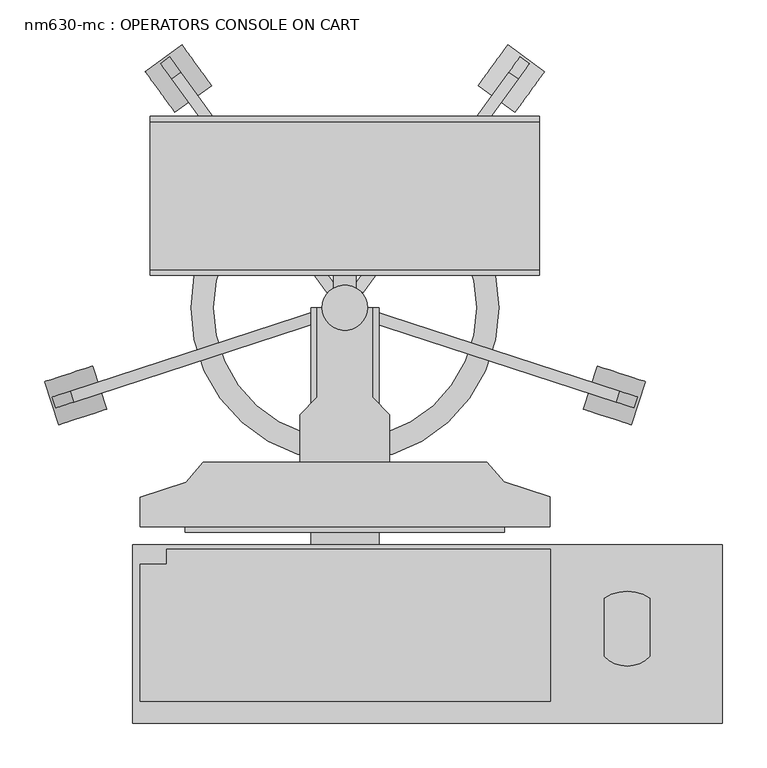
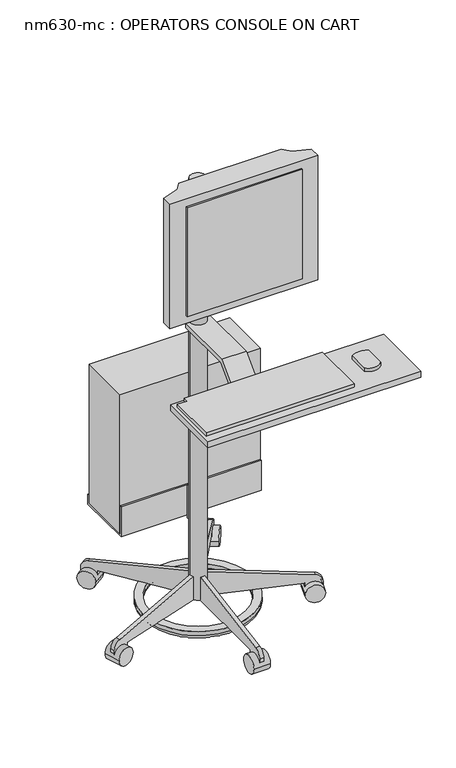
"""IFC4 building model written with IfcOpenShell, lengths in millimetres: proxy geometry, nm630-mc : OPERATORS CONSOLE ON CART."""

from ifc_helpers import new_model, si_unit, point, frame, frame_2d, origin, origin_2d, place, context, project, spatial, polyline, circle_curve, ellipse_curve, trimmed, segment, composite_curve, outline, extrude, source, transform, mapped, element, save
from ifc_brep_helpers import plane_surface, cylinder_surface, revolved_surface, advanced_brep


def nm630_mc_operators_console_on_cart_427ca283(model_context):
    return source(origin(), model_context, "Body", "SolidModel", [
        advanced_brep(
        [(147.2538722, 0.0, 40.3326391), (-147.2538722, 0.0, 40.3326391), (-147.2538722, 0.0, 53.5835944), (147.2538722, 0.0, 53.5835944), (172.6538722, 0.0, 40.3326391), (-172.6538722, 0.0, 40.3326391), (172.6538722, 0.0, 53.5835944), (-172.6538722, 0.0, 53.5835944)],
        [
            (0, 1, circle_curve(frame((0.0, 0.0, 40.3326391), z_axis=(0.0, 0.0, -1.0), x_axis=(-1.0, 0.0, 0.0)), 147.2538722)),
            (1, 2),
            (2, 3, circle_curve(frame((0.0, 0.0, 53.5835944), z_axis=(0.0, 0.0, 1.0), x_axis=(-1.0, 0.0, 0.0)), 147.2538722)),
            (3, 0),
            (4, 5, circle_curve(frame((0.0, 0.0, 40.3326391), z_axis=(0.0, 0.0, -1.0), x_axis=(-1.0, 0.0, 0.0)), 172.6538722)),
            (5, 1, circle_curve(frame((-159.9538722, 0.0, 40.3326391), z_axis=(0.0, -1.0, 0.0), x_axis=(1.0, 0.0, 0.0)), 12.7)),
            (0, 4, circle_curve(frame((159.9538722, 0.0, 40.3326391), z_axis=(0.0, -1.0, 0.0), x_axis=(-1.0, 0.0, 0.0)), 12.7)),
            (6, 7, circle_curve(frame((0.0, 0.0, 53.5835944), z_axis=(0.0, 0.0, -1.0), x_axis=(-1.0, 0.0, 0.0)), 172.6538722)),
            (7, 5),
            (4, 6),
            (1, 0, circle_curve(frame((0.0, 0.0, 40.3326391), z_axis=(0.0, 0.0, -1.0), x_axis=(1.0, 0.0, 0.0)), 147.2538722)),
            (3, 2, circle_curve(frame((0.0, 0.0, 53.5835944), z_axis=(0.0, 0.0, 1.0), x_axis=(1.0, 0.0, 0.0)), 147.2538722)),
            (5, 4, circle_curve(frame((0.0, 0.0, 40.3326391), z_axis=(0.0, 0.0, -1.0), x_axis=(1.0, 0.0, 0.0)), 172.6538722)),
            (7, 6, circle_curve(frame((0.0, 0.0, 53.5835944), z_axis=(0.0, 0.0, -1.0), x_axis=(1.0, 0.0, 0.0)), 172.6538722)),
        ],
        [
            revolved_surface(polyline([(-147.2538722, 0.0, 53.5835944), (-147.2538722, 0.0, 40.3326391)]), (0.0, 0.0, 53.5835944), (0.0, 0.0, 1.0)),
            revolved_surface(trimmed(ellipse_curve(frame((-159.9538722, 0.0, 40.3326391), z_axis=(0.0, 1.0, 0.0), x_axis=(1.0, 0.0, 0.0)), 12.7, 12.7), [point((-147.2538722, 0.0, 40.3326391))], [point((-172.6538722, 0.0, 40.3326391))], True, "CARTESIAN"), (0.0, 0.0, 53.5835944), (0.0, 0.0, 1.0)),
            cylinder_surface(frame((0.0, 0.0, 53.5835944), z_axis=(0.0, 0.0, 1.0), x_axis=(-1.0, 0.0, 0.0)), 172.6538722),
            revolved_surface(polyline([(147.2538722, 0.0, 53.5835944), (147.2538722, 0.0, 40.3326391)]), (0.0, 0.0, 53.5835944), (0.0, 0.0, 1.0)),
            revolved_surface(trimmed(ellipse_curve(frame((159.9538722, 0.0, 40.3326391), z_axis=(0.0, -1.0, 0.0), x_axis=(-1.0, 0.0, 0.0)), 12.7, 12.7), [point((147.2538722, 0.0, 40.3326391))], [point((172.6538722, 0.0, 40.3326391))], True, "CARTESIAN"), (0.0, 0.0, 53.5835944), (0.0, 0.0, 1.0)),
            cylinder_surface(frame((0.0, 0.0, 53.5835944), z_axis=(0.0, 0.0, 1.0), x_axis=(1.0, 0.0, 0.0)), 172.6538722),
            plane_surface(frame((0.0, 0.0, 53.5835944), z_axis=(0.0, 0.0, 1.0), x_axis=(1.0, 0.0, 0.0))),
        ],
        [
            (0, [[1, 2, 3, 4]]),
            (1, [[5, 6, -1, 7]]),
            (2, [[8, 9, -5, 10]]),
            (3, [[11, -4, 12, -2]]),
            (4, [[13, -7, -11, -6]]),
            (5, [[14, -10, -13, -9]]),
            (6, [[-14, -8], [-12, -3]]),
        ],
    ),
        extrude(outline(polyline([(-381.0, 890.5455923), (-381.0, 903.2455923), (-246.5605122, 903.2455923), (-192.6789755, 957.1271291), (0.0, 957.1271291), (0.0, 944.4271291), (-187.4184633, 944.4271291), (-241.3, 890.5455923), (-381.0, 890.5455923)])), frame((-38.1, 0.0, 0.0), z_axis=(1.0, 0.0, 0.0), x_axis=(0.0, 1.0, 0.0)), (0.0, 0.0, 1.0), 76.2),
        extrude(outline(polyline([(422.922446, -265.7124581), (422.922446, -465.4612169), (-237.7455191, -465.4612169), (-237.7455191, -265.7124581), (422.922446, -265.7124581)])), frame((0.0, 0.0, 903.2455923), z_axis=(0.0, 0.0, 1.0), x_axis=(1.0, 0.0, 0.0)), (0.0, 0.0, 1.0), 19.05),
        extrude(outline(polyline([(50.0454803, -120.1871894), (50.0454803, -172.9973457), (0.1078667, -172.9973457), (-50.0454803, -172.9973457), (-50.0454803, -120.1871894), (-31.0442446, -100.2177114), (-31.0442446, 0.0), (0.0, 0.0), (31.0442446, 0.0), (31.0442446, -100.2177114), (50.0454803, -120.1871894)])), frame((0.0, 0.0, 1245.8764509), z_axis=(0.0, 0.0, 1.0), x_axis=(1.0, 0.0, 0.0)), (0.0, 0.0, 1.0), 101.6),
        extrude(outline(polyline([(-229.7165796, -245.6400933), (-229.7165796, -212.2805749), (-177.9822034, -195.4354217), (-159.1782732, -172.9973457), (159.3940067, -172.9973457), (178.2259562, -195.2130907), (230.0023281, -212.0005976), (230.0023281, -245.6400933), (-229.7165796, -245.6400933)])), frame((0.0, 0.0, 1156.6939624), z_axis=(0.0, 0.0, 1.0), x_axis=(1.0, 0.0, 0.0)), (0.0, 0.0, 1.0), 409.5636736),
        extrude(outline(polyline([(-179.07, -245.6400933), (179.07, -245.6400933), (179.07, -251.5538724), (-179.07, -251.5538724), (-179.07, -245.6400933)])), frame((0.0, 0.0, 1182.0939624), z_axis=(0.0, 0.0, 1.0), x_axis=(1.0, 0.0, 0.0)), (0.0, 0.0, 1.0), 358.7636736),
        extrude(outline(composite_curve([segment(trimmed(circle_curve(frame_2d((316.4148897, -365.8294114)), 35.5491443), [point((341.8148897, -390.7007133))], [point((291.0148897, -390.7007133))], False, "CARTESIAN"), True, "CONTINUOUS"), segment(polyline([(291.0148897, -390.7007133), (291.0148897, -325.4053666)]), True, "CONTINUOUS"), segment(trimmed(circle_curve(frame_2d((316.4148897, -363.5827797)), 45.8549329), [point((291.0148897, -325.4053666))], [point((341.8148897, -325.4053666))], False, "CARTESIAN"), True, "CONTINUOUS"), segment(polyline([(341.8148897, -325.4053666), (341.8148897, -390.7007133)]), True, "CONTINUOUS")], self_intersect=False)), frame((0.0, 0.0, 922.2955923), z_axis=(0.0, 0.0, 1.0), x_axis=(1.0, 0.0, 0.0)), (0.0, 0.0, 1.0), 12.2153731),
        extrude(outline(polyline([(230.1392039, -270.6966837), (230.1392039, -440.883121), (-229.6851103, -440.883121), (-229.6851103, -287.2215871), (-199.7129601, -287.2215871), (-199.7129601, -270.6966837), (230.1392039, -270.6966837)])), frame((0.0, 0.0, 922.2955923), z_axis=(0.0, 0.0, 1.0), x_axis=(1.0, 0.0, 0.0)), (0.0, 0.0, 1.0), 12.2153731),
        extrude(outline(polyline([(218.16568, 207.9675182), (218.16568, 42.8420782), (-218.16568, 42.8420782), (-218.16568, 207.9675182), (218.16568, 207.9675182)])), frame((0.0, 0.0, 304.8), z_axis=(0.0, 0.0, 1.0), x_axis=(1.0, 0.0, 0.0)), (0.0, 0.0, 1.0), 457.2),
        extrude(outline(polyline([(207.9675182, 330.2), (214.3175182, 330.2), (214.3175182, 298.45), (36.5037671, 298.45), (36.5037671, 397.1715058), (42.8420782, 397.1715058), (42.8420782, 304.8), (207.9675182, 304.8), (207.9675182, 330.2)])), frame((-218.16568, 0.0, 0.0), z_axis=(1.0, 0.0, 0.0), x_axis=(0.0, 1.0, 0.0)), (0.0, 0.0, 1.0), 436.33136),
        extrude(outline(polyline([(12.7, 0.0), (-12.7, 0.0), (-12.7, 36.5037671), (12.7, 36.5037671), (12.7, 0.0)])), frame((0.0, 0.0, 289.2215058), z_axis=(0.0, 0.0, 1.0), x_axis=(1.0, 0.0, 0.0)), (0.0, 0.0, 1.0), 107.95),
        extrude(outline(composite_curve([segment(trimmed(circle_curve(origin_2d(), 25.4), [point((25.4, 0.0))], [point((-25.4, 0.0))], False, "CARTESIAN"), True, "CONTINUOUS"), segment(trimmed(circle_curve(origin_2d(), 25.4), [point((-25.4, 0.0))], [point((25.4, 0.0))], False, "CARTESIAN"), True, "CONTINUOUS")], self_intersect=False)), frame((0.0, 0.0, 53.5835944), z_axis=(0.0, 0.0, 1.0), x_axis=(1.0, 0.0, 0.0)), (0.0, 0.0, 1.0), 1368.8164056),
        extrude(outline(composite_curve([segment(trimmed(circle_curve(frame_2d((0.0, -28.2002727)), 28.2002727), [point((0.0, -56.4005455))], [point((0.0, 0.0))], False, "CARTESIAN"), True, "CONTINUOUS"), segment(trimmed(circle_curve(frame_2d((0.0, -28.2002727)), 28.2002727), [point((0.0, 0.0))], [point((0.0, -56.4005455))], False, "CARTESIAN"), True, "CONTINUOUS")], self_intersect=False)), frame((-320.9314654, -130.9840947, 28.1835944), z_axis=(-0.3090169943749372, 0.951056516295157, 0.0), x_axis=(0.0, 0.0, -1.0)), (0.0, 0.0, 1.0), 50.8),
        extrude(outline(composite_curve([segment(polyline([(25.4, 0.0), (25.4, 292.1), (101.6, 292.1), (101.6, 266.7), (49.3171699, -29.8106637)]), True, "CONTINUOUS"), segment(trimmed(circle_curve(frame_2d((24.303053, -25.4)), 25.4), [point((49.3171699, -29.8106637))], [point((24.303053, -50.8))], False, "CARTESIAN"), True, "CONTINUOUS"), segment(polyline([(24.303053, -50.8), (0.0, -50.8), (0.0, 0.0), (25.4, 0.0)]), True, "CONTINUOUS")], self_intersect=False)), frame((-275.8413505, -96.3030729, 28.1835944), z_axis=(-0.3090169943749371, 0.951056516295157, 0.0), x_axis=(0.0, 0.0, 1.0)), (0.0, 0.0, 1.0), 12.7),
        extrude(outline(composite_curve([segment(trimmed(circle_curve(frame_2d((0.0, -28.2002727)), 28.2002727), [point((0.0, -56.4005455))], [point((0.0, 0.0))], False, "CARTESIAN"), True, "CONTINUOUS"), segment(trimmed(circle_curve(frame_2d((0.0, -28.2002727)), 28.2002727), [point((0.0, 0.0))], [point((0.0, -56.4005455))], False, "CARTESIAN"), True, "CONTINUOUS")], self_intersect=False)), frame((-223.7465537, 264.7476502, 28.1835944), z_axis=(0.8090169943749531, 0.5877852522924655, 0.0), x_axis=(0.0, 0.0, -1.0)), (0.0, 0.0, 1.0), 50.8),
        extrude(outline(composite_curve([segment(polyline([(25.4, 0.0), (25.4, 292.1), (101.6, 292.1), (101.6, 266.7), (49.3171699, -29.8106638)]), True, "CONTINUOUS"), segment(trimmed(circle_curve(frame_2d((24.303053, -25.4)), 25.4), [point((49.3171699, -29.8106638))], [point((24.303053, -50.8))], False, "CARTESIAN"), True, "CONTINUOUS"), segment(polyline([(24.303053, -50.8), (0.0, -50.8), (0.0, 0.0), (25.4, 0.0)]), True, "CONTINUOUS")], self_intersect=False)), frame((-176.8293301, 232.5814277, 28.1835944), z_axis=(0.8090169943749531, 0.5877852522924655, 0.0), x_axis=(0.0, 0.0, 1.0)), (0.0, 0.0, 1.0), 12.7),
        extrude(outline(composite_curve([segment(trimmed(circle_curve(frame_2d((0.0, -28.2002727)), 28.2002727), [point((0.0, -56.4005455))], [point((0.0, 0.0))], False, "CARTESIAN"), True, "CONTINUOUS"), segment(trimmed(circle_curve(frame_2d((0.0, -28.2002727)), 28.2002727), [point((0.0, 0.0))], [point((0.0, -56.4005455))], False, "CARTESIAN"), True, "CONTINUOUS")], self_intersect=False)), frame((223.7465537, 264.7476502, 28.1835944), z_axis=(-0.8090169943749427, 0.5877852522924798, 0.0), x_axis=(0.0, 0.0, 1.0)), (0.0, 0.0, 1.0), 50.8),
        extrude(outline(composite_curve([segment(polyline([(-25.4, 0.0), (0.0, 0.0), (0.0, -50.8), (-24.303053, -50.8)]), True, "CONTINUOUS"), segment(trimmed(circle_curve(frame_2d((-24.303053, -25.4)), 25.4), [point((-24.303053, -50.8))], [point((-49.3171699, -29.8106638))], False, "CARTESIAN"), True, "CONTINUOUS"), segment(polyline([(-49.3171699, -29.8106638), (-101.6, 266.7), (-101.6, 292.1), (-25.4, 292.1), (-25.4, 0.0)]), True, "CONTINUOUS")], self_intersect=False)), frame((176.8293301, 232.5814277, 28.1835944), z_axis=(-0.8090169943749427, 0.5877852522924798, 0.0), x_axis=(0.0, 0.0, -1.0)), (0.0, 0.0, 1.0), 12.7),
        extrude(outline(composite_curve([segment(trimmed(circle_curve(frame_2d((0.0, -28.2002727)), 28.2002727), [point((0.0, -56.4005455))], [point((0.0, 0.0))], False, "CARTESIAN"), True, "CONTINUOUS"), segment(trimmed(circle_curve(frame_2d((0.0, -28.2002727)), 28.2002727), [point((0.0, 0.0))], [point((0.0, -56.4005455))], False, "CARTESIAN"), True, "CONTINUOUS")], self_intersect=False)), frame((320.9314654, -130.9840947, 28.1835944), z_axis=(0.30901699437495384, 0.9510565162951515, 0.0), x_axis=(0.0, 0.0, 1.0)), (0.0, 0.0, 1.0), 50.8),
        extrude(outline(composite_curve([segment(polyline([(-25.4, 0.0), (0.0, 0.0), (0.0, -50.8), (-24.303053, -50.8)]), True, "CONTINUOUS"), segment(trimmed(circle_curve(frame_2d((-24.303053, -25.4)), 25.4), [point((-24.303053, -50.8))], [point((-49.3171699, -29.8106637))], False, "CARTESIAN"), True, "CONTINUOUS"), segment(polyline([(-49.3171699, -29.8106637), (-101.6, 266.7), (-101.6, 292.1), (-25.4, 292.1), (-25.4, 0.0)]), True, "CONTINUOUS")], self_intersect=False)), frame((275.8413505, -96.3030729, 28.1835944), z_axis=(0.30901699437495384, 0.9510565162951515, 0.0), x_axis=(0.0, 0.0, -1.0)), (0.0, 0.0, 1.0), 12.7),
        extrude(outline(composite_curve([segment(trimmed(circle_curve(frame_2d((-317.5, 28.1835944)), 28.2002727), [point((-289.2997273, 28.1835944))], [point((-345.7002727, 28.1835944))], False, "CARTESIAN"), True, "CONTINUOUS"), segment(trimmed(circle_curve(frame_2d((-317.5, 28.1835944)), 28.2002727), [point((-345.7002727, 28.1835944))], [point((-289.2997273, 28.1835944))], False, "CARTESIAN"), True, "CONTINUOUS")], self_intersect=False)), frame((-25.4, 0.0, 0.0), z_axis=(1.0, 0.0, 0.0), x_axis=(0.0, 1.0, 0.0)), (0.0, 0.0, 1.0), 50.8),
        extrude(outline(composite_curve([segment(polyline([(-292.1, 53.5835944), (-292.1, 28.1835944), (-342.9, 28.1835944), (-342.9, 52.4866474)]), True, "CONTINUOUS"), segment(trimmed(circle_curve(frame_2d((-317.5, 52.4866474)), 25.4), [point((-342.9, 52.4866474))], [point((-321.9106637, 77.5007643))], False, "CARTESIAN"), True, "CONTINUOUS"), segment(polyline([(-321.9106637, 77.5007643), (-25.4, 129.7835944), (0.0, 129.7835944), (0.0, 53.5835944), (-292.1, 53.5835944)]), True, "CONTINUOUS")], self_intersect=False)), frame((-6.35, 0.0, 0.0), z_axis=(1.0, 0.0, 0.0), x_axis=(0.0, 1.0, 0.0)), (0.0, 0.0, 1.0), 12.7),
    ])


if __name__ == "__main__":
    model = new_model("IFC4")
    model_context = context("Model", 3, world=origin())
    ifc_project = project(units=[si_unit("LENGTHUNIT", "METRE", prefix="MILLI")], contexts=[model_context])
    site = spatial("IfcSite", under=ifc_project)
    building = spatial("IfcBuilding", under=site)
    placement = place(None, origin())
    nm630_mc_operators_console_on_cart_shape = nm630_mc_operators_console_on_cart_427ca283(model_context)
    element("IfcBuildingElementProxy", 1, Name="nm630-mc : OPERATORS CONSOLE ON CART", ObjectType="nm630-mc : OPERATORS CONSOLE ON CART", at=placement, inside=building, context=model_context, shape_type="MappedRepresentation", body=[
        mapped(nm630_mc_operators_console_on_cart_shape, transform((0.0, 0.0, 0.0), x_axis=(1.0, 0.0, 0.0), y_axis=(0.0, 1.0, 0.0), z_axis=(0.0, 0.0, 1.0))),
    ])
    save(model, "model.ifc")
